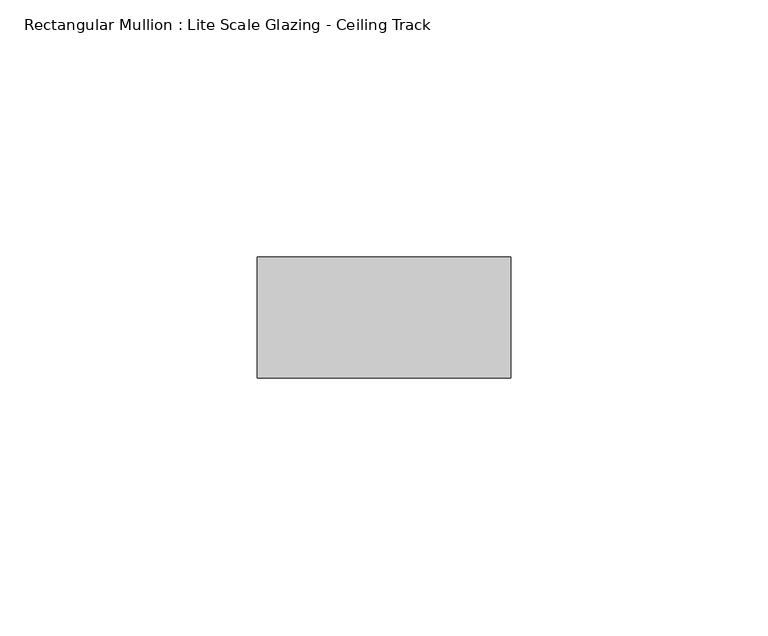
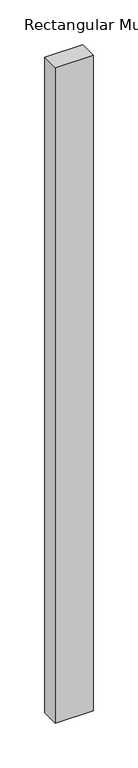
"""IFC4 building model written with IfcOpenShell, lengths in millimetres: member geometry, Rectangular Mullion : Lite Scale Glazing - Ceiling Track."""

from ifc_helpers import new_model, si_unit, frame, origin, place, context, project, spatial, polyline, outline, extrude, source, transform, mapped, element, save


def rectangular_mullion_lite_scale_glazing_ceiling_track_3cf5ae7a(model_context):
    return source(origin(), model_context, "Body", "SweptSolid", [
        extrude(outline(polyline([(-49.276, -11.7474999), (-49.276, 11.7474999), (0.0, 11.7474999), (0.0, -11.7474999), (-49.276, -11.7474999)])), frame((0.0, 0.0, -897.4090346), z_axis=(0.0, 0.0, 1.0), x_axis=(1.0, 0.0, 0.0)), (0.0, 0.0, 1.0), 897.4090346),
    ])


if __name__ == "__main__":
    model = new_model("IFC4")
    model_context = context("Model", 3, world=origin())
    ifc_project = project(units=[si_unit("LENGTHUNIT", "METRE", prefix="MILLI")], contexts=[model_context])
    site = spatial("IfcSite", under=ifc_project)
    building = spatial("IfcBuilding", under=site)
    placement = place(None, origin())
    rectangular_mullion_lite_scale_glazing_ceiling_track_shape = rectangular_mullion_lite_scale_glazing_ceiling_track_3cf5ae7a(model_context)
    element("IfcMember", 1, ObjectType="Rectangular Mullion : Lite Scale Glazing - Ceiling Track", at=placement, inside=building, context=model_context, shape_type="MappedRepresentation", body=[
        mapped(rectangular_mullion_lite_scale_glazing_ceiling_track_shape, transform((0.0, 0.0, 0.0), x_axis=(1.0, 0.0, 0.0), y_axis=(0.0, 1.0, 0.0), z_axis=(0.0, 0.0, 1.0))),
    ])
    save(model, "model.ifc")
